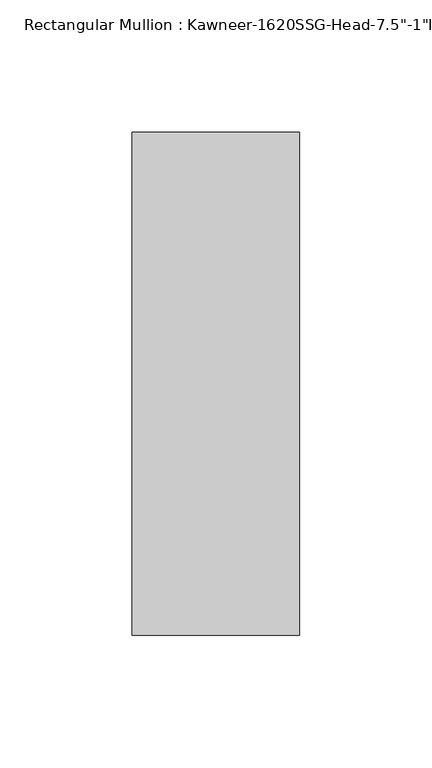
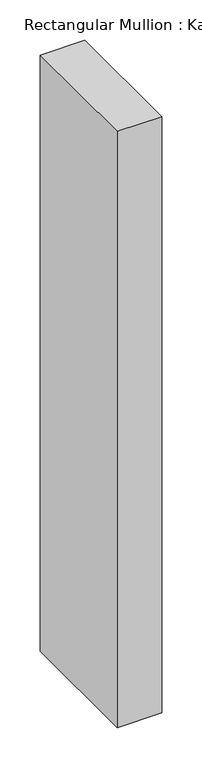
"""IFC4 building model written with IfcOpenShell, lengths in millimetres: member geometry."""

from ifc_helpers import new_model, si_unit, frame, origin, place, context, project, spatial, polyline, outline, extrude, source, transform, mapped, element, save


def member_1b720039(model_context):
    return source(origin(), model_context, "Body", "SweptSolid", [
        extrude(outline(polyline([(-22.225, 38.1), (41.275, 38.1), (41.275, -152.4), (-22.225, -152.4), (-22.225, 38.1)])), frame((0.0, 0.0, -901.7), z_axis=(0.0, 0.0, 1.0), x_axis=(1.0, 0.0, 0.0)), (0.0, 0.0, 1.0), 901.7),
    ])


if __name__ == "__main__":
    model = new_model("IFC4")
    model_context = context("Model", 3, world=origin())
    ifc_project = project(units=[si_unit("LENGTHUNIT", "METRE", prefix="MILLI")], contexts=[model_context])
    site = spatial("IfcSite", under=ifc_project)
    building = spatial("IfcBuilding", under=site)
    placement = place(None, origin())
    member_shape = member_1b720039(model_context)
    element("IfcMember", 1, ObjectType="Rectangular Mullion : Kawneer-1620SSG-Head-7.5\"-1\"Infill-1A", at=placement, inside=building, context=model_context, shape_type="MappedRepresentation", body=[
        mapped(member_shape, transform((0.0, 0.0, 0.0), x_axis=(1.0, 0.0, 0.0), y_axis=(0.0, 1.0, 0.0), z_axis=(0.0, 0.0, 1.0))),
    ])
    save(model, "model.ifc")
